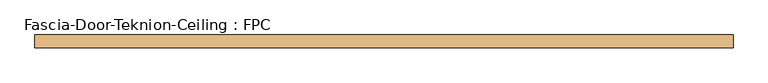
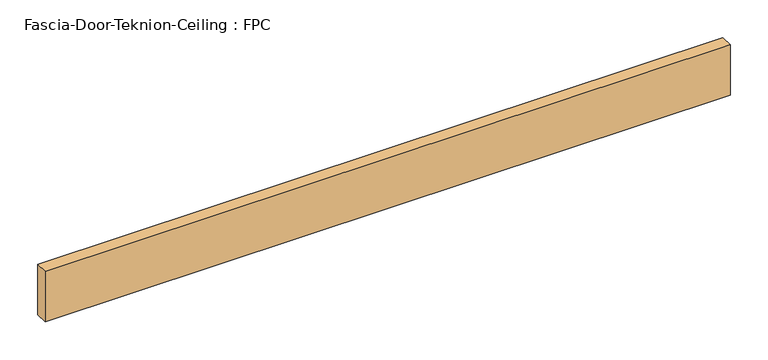
"""IFC4 building model written with IfcOpenShell, lengths in millimetres: door geometry, Fascia-Door-Teknion-Ceiling : FPC."""

from ifc_helpers import new_model, si_unit, origin, origin_with_axes, place, context, project, spatial, polyline, outline, extrude, source, transform, mapped, element, save


def fascia_door_teknion_ceiling_fpc_6b3cde2a(model_context):
    return source(origin(), model_context, "Body", "SweptSolid", [
        extrude(outline(polyline([(523.2356344, 0.0), (523.2356344, -19.05), (-523.2356344, -19.05), (-523.2356344, 0.0), (523.2356344, 0.0)])), origin_with_axes(), (0.0, 0.0, 1.0), 81.28),
    ])


if __name__ == "__main__":
    model = new_model("IFC4")
    model_context = context("Model", 3, world=origin())
    ifc_project = project(units=[si_unit("LENGTHUNIT", "METRE", prefix="MILLI")], contexts=[model_context])
    site = spatial("IfcSite", under=ifc_project)
    building = spatial("IfcBuilding", under=site)
    placement = place(None, origin())
    fascia_door_teknion_ceiling_fpc_shape = fascia_door_teknion_ceiling_fpc_6b3cde2a(model_context)
    element("IfcDoor", 1, ObjectType="Fascia-Door-Teknion-Ceiling : FPC", at=placement, inside=building, context=model_context, shape_type="MappedRepresentation", body=[
        mapped(fascia_door_teknion_ceiling_fpc_shape, transform((0.0, 0.0, 0.0), x_axis=(1.0, 0.0, 0.0), y_axis=(0.0, 1.0, 0.0), z_axis=(0.0, 0.0, 1.0))),
    ])
    save(model, "model.ifc")
